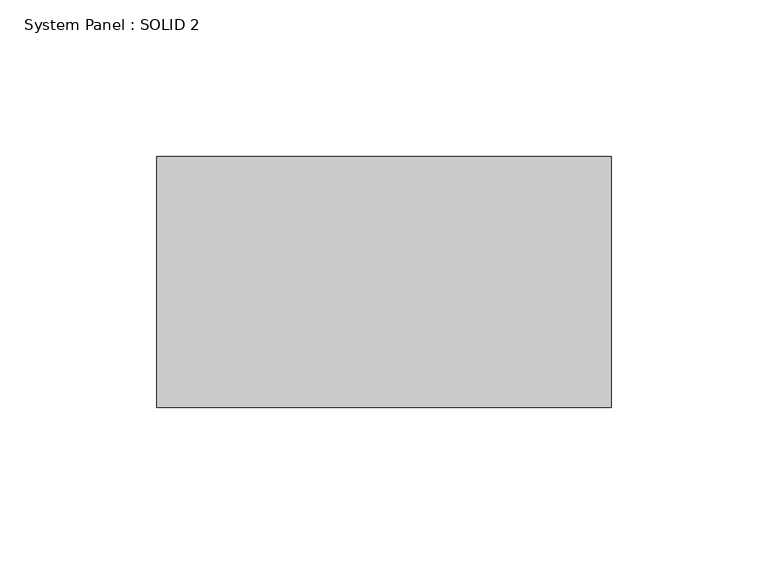
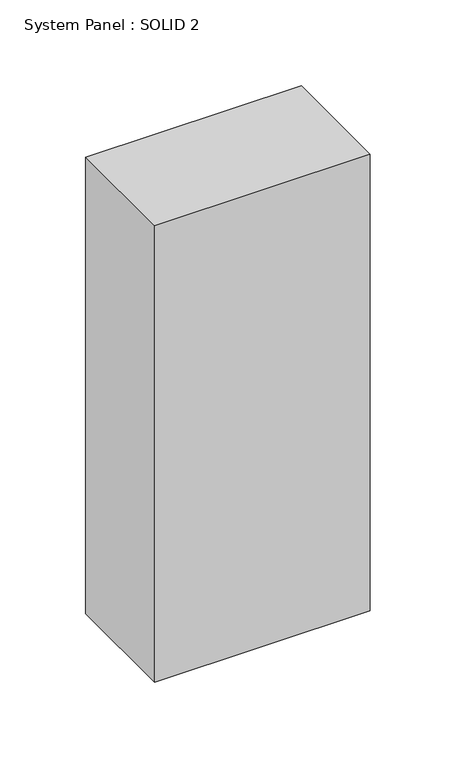
"""IFC4 building model written with IfcOpenShell, lengths in millimetres: plate geometry, System Panel : SOLID 2."""

from ifc_helpers import new_model, si_unit, origin, origin_with_axes, place, context, project, spatial, polyline, outline, extrude, source, transform, mapped, element, save


def system_panel_solid_2_f82d9353(model_context):
    return source(origin(), model_context, "Body", "SweptSolid", [
        extrude(outline(polyline([(72.5, 80.0), (-72.5, 80.0), (-72.5, 160.0), (72.5, 160.0), (72.5, 80.0)])), origin_with_axes(), (0.0, 0.0, 1.0), 324.3333333),
    ])


if __name__ == "__main__":
    model = new_model("IFC4")
    model_context = context("Model", 3, world=origin())
    ifc_project = project(units=[si_unit("LENGTHUNIT", "METRE", prefix="MILLI")], contexts=[model_context])
    site = spatial("IfcSite", under=ifc_project)
    building = spatial("IfcBuilding", under=site)
    placement = place(None, origin())
    system_panel_solid_2_shape = system_panel_solid_2_f82d9353(model_context)
    element("IfcPlate", 1, ObjectType="System Panel : SOLID 2", at=placement, inside=building, context=model_context, shape_type="MappedRepresentation", body=[
        mapped(system_panel_solid_2_shape, transform((0.0, 0.0, 0.0), x_axis=(1.0, 0.0, 0.0), y_axis=(0.0, 1.0, 0.0), z_axis=(0.0, 0.0, 1.0))),
    ])
    save(model, "model.ifc")
